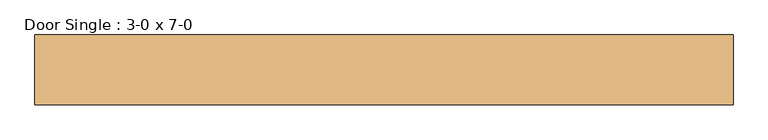
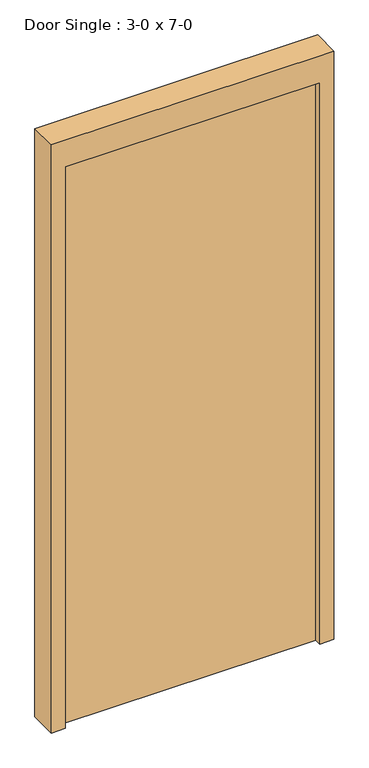
"""IFC4 building model written with IfcOpenShell, lengths in millimetres: door geometry, Door Single : 3-0 x 7-0."""

import ifcopenshell
import ifcopenshell.guid

model = None  # the IFC model being written
_history = None  # IfcOwnerHistory: only IFC2X3 demands one
_inside = {}  # id of a spatial element -> (the spatial element, [elements in it])
_under = {}  # id of a project, library or spatial element -> (it, [spatial elements below it])
_declared = {}  # id of a project -> (the project, [libraries it declares])
_typed = {}  # id of a type object -> (the type object, [elements of that type])
_made_of = {}  # id of a material, layer set ... -> (it, [elements and type objects made of it])


def new_model(schema):
    """Start an empty IFC model of exactly this schema.

    Asked for "IFC4X3", IfcOpenShell would pick the latest addendum, in which some entities
    have other attributes; the version numbers below select the first issue.
    IFC2X3 requires an IfcOwnerHistory on every rooted entity: one is made here for all.
    """
    global model, _history
    if schema == "IFC4X3":
        model = ifcopenshell.file(schema_version=(4, 3, 0, 0))
    else:
        model = ifcopenshell.file(schema=schema)
    _inside.clear()
    _under.clear()
    _declared.clear()
    _typed.clear()
    _made_of.clear()
    _history = None
    if model.schema == "IFC2X3":
        org = make("IfcOrganization", Name="unknown")
        user = make(
            "IfcPersonAndOrganization",
            ThePerson=make("IfcPerson", FamilyName="unknown"),
            TheOrganization=org,
        )
        app = make(
            "IfcApplication",
            ApplicationDeveloper=org,
            Version="unknown",
            ApplicationFullName="unknown",
            ApplicationIdentifier="unknown",
        )
        _history = make(
            "IfcOwnerHistory",
            OwningUser=user,
            OwningApplication=app,
            ChangeAction="ADDED",
            CreationDate=0,
        )
    return model


def make(cls, **values):
    """One entity of the class cls with the attributes given. An attribute that is None is left unset."""
    return model.create_entity(
        cls, **{name: value for name, value in values.items() if value is not None}
    )


def rooted(cls, **values):
    """An entity with a GlobalId (a new one), such as an element, a storey or a relation."""
    return make(cls, GlobalId=ifcopenshell.guid.new(), OwnerHistory=_history, **values)


def si_unit(unit_type, name, prefix=None):
    """IfcSIUnit, for example si_unit("LENGTHUNIT", "METRE", prefix="MILLI")."""
    return make("IfcSIUnit", UnitType=unit_type, Prefix=prefix, Name=name)


def assignment(units):
    """IfcUnitAssignment: the units of a project."""
    return None if units is None else make("IfcUnitAssignment", Units=units)


def point(xyz):
    """IfcCartesianPoint."""
    return None if xyz is None else make("IfcCartesianPoint", Coordinates=xyz)


def direction(xyz):
    """IfcDirection."""
    return None if xyz is None else make("IfcDirection", DirectionRatios=xyz)


def frame(location, z_axis=None, x_axis=None):
    """IfcAxis2Placement3D, a coordinate frame: its origin and axes. An axis left out is left unset."""
    return make(
        "IfcAxis2Placement3D",
        Location=point(location),
        Axis=direction(z_axis),
        RefDirection=direction(x_axis),
    )


def origin():
    """The frame at (0, 0, 0) with its axes left unset."""
    return frame((0.0, 0.0, 0.0))


def origin_with_axes():
    """The frame at (0, 0, 0) with the z axis (0, 0, 1) and the x axis (1, 0, 0) written out."""
    return frame((0.0, 0.0, 0.0), z_axis=(0.0, 0.0, 1.0), x_axis=(1.0, 0.0, 0.0))


def place(relative_to, where):
    """IfcLocalPlacement: puts the frame where relative to a parent placement (None: the world)."""
    return make(
        "IfcLocalPlacement", PlacementRelTo=relative_to, RelativePlacement=where
    )


def context(
    kind, dimensions, precision=None, world=None, true_north=None, identifier=None
):
    """IfcGeometricRepresentationContext, for example the 3D "Model" context."""
    return make(
        "IfcGeometricRepresentationContext",
        ContextIdentifier=identifier,
        ContextType=kind,
        CoordinateSpaceDimension=dimensions,
        Precision=precision,
        WorldCoordinateSystem=world,
        TrueNorth=true_north,
    )


def project(units=None, contexts=None):
    """IfcProject with its units and contexts."""
    return rooted(
        "IfcProject",
        Name="project",
        RepresentationContexts=contexts,
        UnitsInContext=assignment(units),
    )


def spatial(cls, under=None, at=None, **own):
    """A site, building, storey or space (cls), placed at a placement, below another one or the project."""
    s = rooted(cls, ObjectPlacement=at, **own)
    if under is not None:
        _under.setdefault(under.id(), (under, []))[1].append(s)
    return s


def polyline(points):
    """IfcPolyline through the points."""
    return make("IfcPolyline", Points=[point(p) for p in points])


def outline(outer, holes=None, kind="AREA"):
    """IfcArbitraryClosedProfileDef: a profile drawn as a closed curve; with holes, ...WithVoids."""
    if holes is None:
        return make("IfcArbitraryClosedProfileDef", ProfileType=kind, OuterCurve=outer)
    return make(
        "IfcArbitraryProfileDefWithVoids",
        ProfileType=kind,
        OuterCurve=outer,
        InnerCurves=holes,
    )


def extrude(swept, where, along, depth):
    """IfcExtrudedAreaSolid: the profile swept, set in the frame where, extruded along a direction by depth."""
    return make(
        "IfcExtrudedAreaSolid",
        SweptArea=swept,
        Position=where,
        ExtrudedDirection=direction(along),
        Depth=depth,
    )


def shape(context_of_items, identifier, shape_type, items):
    """IfcShapeRepresentation: the items that make up one representation, for example the "Body"."""
    return make(
        "IfcShapeRepresentation",
        ContextOfItems=context_of_items,
        RepresentationIdentifier=identifier,
        RepresentationType=shape_type,
        Items=items,
    )


def source(mapping_origin, context_of_items, identifier, shape_type, items):
    """IfcRepresentationMap: a shape defined once, which mapped items show again and again."""
    return make(
        "IfcRepresentationMap",
        MappingOrigin=mapping_origin,
        MappedRepresentation=shape(context_of_items, identifier, shape_type, items),
    )


def transform(
    local_origin,
    x_axis=None,
    y_axis=None,
    z_axis=None,
    scale=None,
    scale2=None,
    scale3=None,
    uniform=True,
):
    """IfcCartesianTransformationOperator3D, or its non-uniform kind. x_axis, y_axis, z_axis: its Axis1, 2, 3."""
    if uniform:
        return make(
            "IfcCartesianTransformationOperator3D",
            Axis1=direction(x_axis),
            Axis2=direction(y_axis),
            LocalOrigin=point(local_origin),
            Scale=scale,
            Axis3=direction(z_axis),
        )
    return make(
        "IfcCartesianTransformationOperator3DnonUniform",
        Axis1=direction(x_axis),
        Axis2=direction(y_axis),
        LocalOrigin=point(local_origin),
        Scale=scale,
        Axis3=direction(z_axis),
        Scale2=scale2,
        Scale3=scale3,
    )


def mapped(mapping_source, mapping_target):
    """IfcMappedItem: shows the shape of a source again, moved by a transform."""
    return make(
        "IfcMappedItem", MappingSource=mapping_source, MappingTarget=mapping_target
    )


def made_of(thing, what):
    """Note that an element or type object is made of a material, layer set ...; save() writes the relation."""
    if what is not None:
        _made_of.setdefault(what.id(), (what, []))[1].append(thing)
    return thing


def element(
    cls,
    number,
    at=None,
    inside=None,
    cuts=None,
    type_object=None,
    material=None,
    context=None,
    identifier="Body",
    shape_type=None,
    held_by="IfcProductDefinitionShape",
    body=None,
    shapes=None,
    **own,
):
    """One element of the class cls, such as IfcWall. Its Tag is "e" and its number.

    at: its placement. inside: the storey or other place that contains it. cuts: it is an
    opening in that element (IfcRelVoidsElement). A single representation is given by context,
    identifier, shape_type and body (its items); several are given by shapes. held_by: the class
    of the entity that holds the representations. save() writes the other relations.
    """
    e = rooted(cls, Tag="e%d" % number, ObjectPlacement=at, **own)
    if body is not None:
        shapes = [shape(context, identifier, shape_type, body)]
    if shapes is not None:
        e.Representation = make(held_by, Representations=shapes)
    if inside is not None:
        _inside.setdefault(inside.id(), (inside, []))[1].append(e)
    if cuts is not None:
        rooted(
            "IfcRelVoidsElement", RelatingBuildingElement=cuts, RelatedOpeningElement=e
        )
    if type_object is not None:
        _typed.setdefault(type_object.id(), (type_object, []))[1].append(e)
    return made_of(e, material)


def aggregate(whole, parts):
    """IfcRelAggregates: a whole, such as a stair, and the parts it consists of."""
    return rooted("IfcRelAggregates", RelatingObject=whole, RelatedObjects=parts)


def save(model, path):
    """Write the relations noted so far, then the file.

    IfcRelAggregates (storeys below a building ...), IfcRelContainedInSpatialStructure (elements
    in a storey), IfcRelDefinesByType, IfcRelAssociatesMaterial and IfcRelDeclares: one each for
    every whole, place, type object, material and project.
    """
    for whole, parts in _under.values():
        aggregate(whole, parts)
    for where, things in _inside.values():
        rooted(
            "IfcRelContainedInSpatialStructure",
            RelatedElements=things,
            RelatingStructure=where,
        )
    for kind, things in _typed.values():
        rooted("IfcRelDefinesByType", RelatedObjects=things, RelatingType=kind)
    for what, things in _made_of.values():
        rooted("IfcRelAssociatesMaterial", RelatedObjects=things, RelatingMaterial=what)
    for by, libraries in _declared.values():
        rooted("IfcRelDeclares", RelatingContext=by, RelatedDefinitions=libraries)
    model.write(path)


def door_single_3_0_x_7_0_d1fda832(model_context):
    return source(origin(), model_context, "Body", "SweptSolid", [
        extrude(outline(polyline([(2133.6, 457.2), (0.0, 457.2), (0.0, 508.0), (2235.2, 508.0), (2235.2, -508.0), (0.0, -508.0), (0.0, -457.2), (2133.6, -457.2), (2133.6, 457.2)])), frame((0.0, -38.1, 0.0), z_axis=(0.0, 1.0, 0.0), x_axis=(0.0, 0.0, 1.0)), (0.0, 0.0, 1.0), 101.6),
        extrude(outline(polyline([(457.2, 38.1), (457.2, -12.7), (-457.2, -12.7), (-457.2, 38.1), (457.2, 38.1)])), origin_with_axes(), (0.0, 0.0, 1.0), 2133.6),
    ])


if __name__ == "__main__":
    model = new_model("IFC4")
    model_context = context("Model", 3, world=origin())
    ifc_project = project(units=[si_unit("LENGTHUNIT", "METRE", prefix="MILLI")], contexts=[model_context])
    site = spatial("IfcSite", under=ifc_project)
    building = spatial("IfcBuilding", under=site)
    placement = place(None, origin())
    door_single_3_0_x_7_0_shape = door_single_3_0_x_7_0_d1fda832(model_context)
    element("IfcDoor", 1, ObjectType="Door Single : 3-0 x 7-0", at=placement, inside=building, context=model_context, shape_type="MappedRepresentation", body=[
        mapped(door_single_3_0_x_7_0_shape, transform((0.0, 0.0, 0.0), x_axis=(1.0, 0.0, 0.0), y_axis=(0.0, 1.0, 0.0), z_axis=(0.0, 0.0, 1.0))),
    ])
    save(model, "model.ifc")
